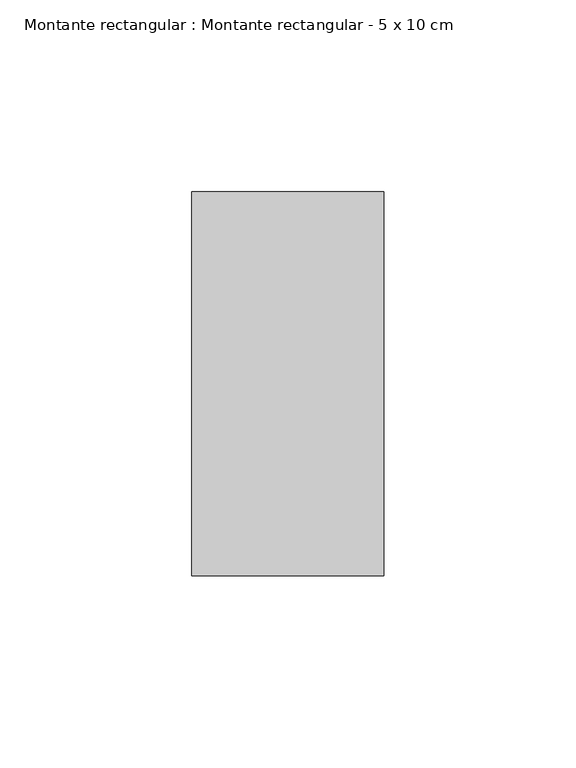
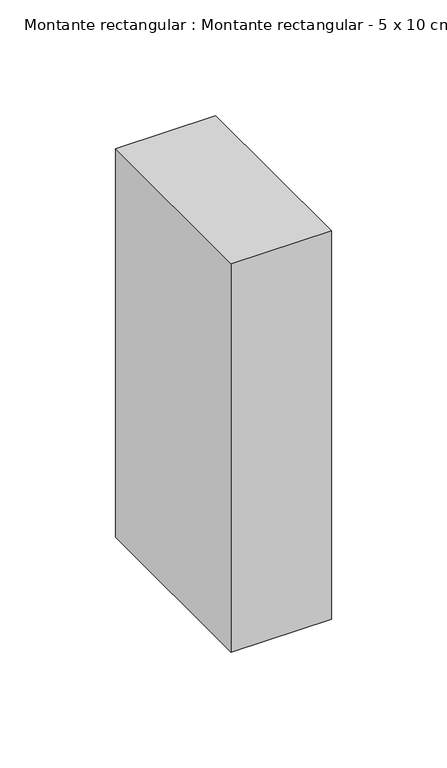
"""IFC4 building model written with IfcOpenShell, lengths in millimetres: member geometry, Montante rectangular : Montante rectangular - 5 x 10 cm."""

from ifc_helpers import new_model, si_unit, frame, origin, place, context, project, spatial, polyline, outline, extrude, source, transform, mapped, element, save


def montante_rectangular_montante_rectangular_5_x_10_cm_0a74d16f(model_context):
    return source(origin(), model_context, "Body", "SweptSolid", [
        extrude(outline(polyline([(-50.0, 50.0), (0.0, 50.0), (0.0, -50.0), (-50.0, -50.0), (-50.0, 50.0)])), frame((0.0, 0.0, -205.0), z_axis=(0.0, 0.0, 1.0), x_axis=(1.0, 0.0, 0.0)), (0.0, 0.0, 1.0), 205.0),
    ])


if __name__ == "__main__":
    model = new_model("IFC4")
    model_context = context("Model", 3, world=origin())
    ifc_project = project(units=[si_unit("LENGTHUNIT", "METRE", prefix="MILLI")], contexts=[model_context])
    site = spatial("IfcSite", under=ifc_project)
    building = spatial("IfcBuilding", under=site)
    placement = place(None, origin())
    montante_rectangular_montante_rectangular_5_x_10_cm_shape = montante_rectangular_montante_rectangular_5_x_10_cm_0a74d16f(model_context)
    element("IfcMember", 1, ObjectType="Montante rectangular : Montante rectangular - 5 x 10 cm", at=placement, inside=building, context=model_context, shape_type="MappedRepresentation", body=[
        mapped(montante_rectangular_montante_rectangular_5_x_10_cm_shape, transform((0.0, 0.0, 0.0), x_axis=(1.0, 0.0, 0.0), y_axis=(0.0, 1.0, 0.0), z_axis=(0.0, 0.0, 1.0))),
    ])
    save(model, "model.ifc")
